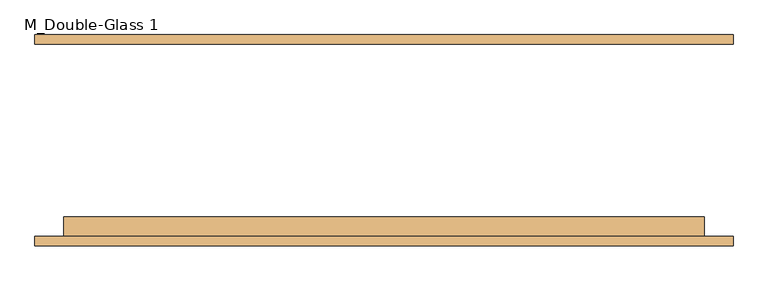
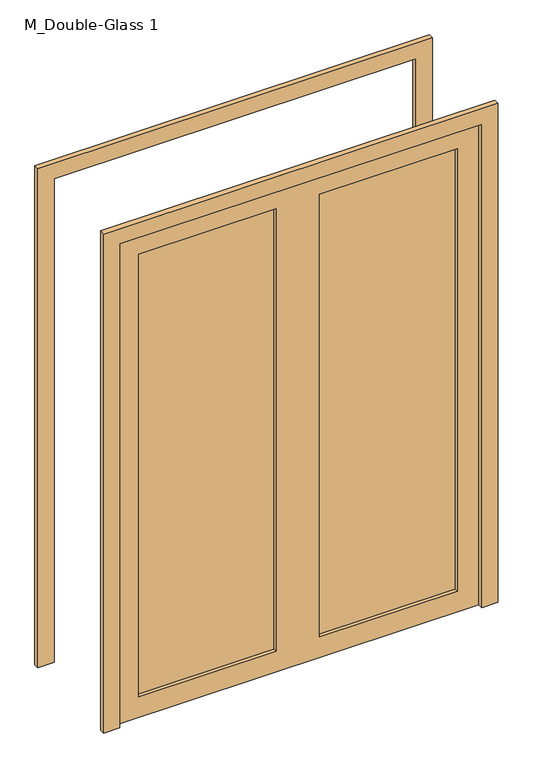
"""IFC4 building model written with IfcOpenShell, lengths in millimetres: door geometry, M_Double-Glass 1."""

import ifcopenshell
import ifcopenshell.guid

model = None  # the IFC model being written
_history = None  # IfcOwnerHistory: only IFC2X3 demands one
_inside = {}  # id of a spatial element -> (the spatial element, [elements in it])
_under = {}  # id of a project, library or spatial element -> (it, [spatial elements below it])
_declared = {}  # id of a project -> (the project, [libraries it declares])
_typed = {}  # id of a type object -> (the type object, [elements of that type])
_made_of = {}  # id of a material, layer set ... -> (it, [elements and type objects made of it])


def new_model(schema):
    """Start an empty IFC model of exactly this schema.

    Asked for "IFC4X3", IfcOpenShell would pick the latest addendum, in which some entities
    have other attributes; the version numbers below select the first issue.
    IFC2X3 requires an IfcOwnerHistory on every rooted entity: one is made here for all.
    """
    global model, _history
    if schema == "IFC4X3":
        model = ifcopenshell.file(schema_version=(4, 3, 0, 0))
    else:
        model = ifcopenshell.file(schema=schema)
    _inside.clear()
    _under.clear()
    _declared.clear()
    _typed.clear()
    _made_of.clear()
    _history = None
    if model.schema == "IFC2X3":
        org = make("IfcOrganization", Name="unknown")
        user = make(
            "IfcPersonAndOrganization",
            ThePerson=make("IfcPerson", FamilyName="unknown"),
            TheOrganization=org,
        )
        app = make(
            "IfcApplication",
            ApplicationDeveloper=org,
            Version="unknown",
            ApplicationFullName="unknown",
            ApplicationIdentifier="unknown",
        )
        _history = make(
            "IfcOwnerHistory",
            OwningUser=user,
            OwningApplication=app,
            ChangeAction="ADDED",
            CreationDate=0,
        )
    return model


def make(cls, **values):
    """One entity of the class cls with the attributes given. An attribute that is None is left unset."""
    return model.create_entity(
        cls, **{name: value for name, value in values.items() if value is not None}
    )


def rooted(cls, **values):
    """An entity with a GlobalId (a new one), such as an element, a storey or a relation."""
    return make(cls, GlobalId=ifcopenshell.guid.new(), OwnerHistory=_history, **values)


def si_unit(unit_type, name, prefix=None):
    """IfcSIUnit, for example si_unit("LENGTHUNIT", "METRE", prefix="MILLI")."""
    return make("IfcSIUnit", UnitType=unit_type, Prefix=prefix, Name=name)


def assignment(units):
    """IfcUnitAssignment: the units of a project."""
    return None if units is None else make("IfcUnitAssignment", Units=units)


def point(xyz):
    """IfcCartesianPoint."""
    return None if xyz is None else make("IfcCartesianPoint", Coordinates=xyz)


def direction(xyz):
    """IfcDirection."""
    return None if xyz is None else make("IfcDirection", DirectionRatios=xyz)


def frame(location, z_axis=None, x_axis=None):
    """IfcAxis2Placement3D, a coordinate frame: its origin and axes. An axis left out is left unset."""
    return make(
        "IfcAxis2Placement3D",
        Location=point(location),
        Axis=direction(z_axis),
        RefDirection=direction(x_axis),
    )


def origin():
    """The frame at (0, 0, 0) with its axes left unset."""
    return frame((0.0, 0.0, 0.0))


def place(relative_to, where):
    """IfcLocalPlacement: puts the frame where relative to a parent placement (None: the world)."""
    return make(
        "IfcLocalPlacement", PlacementRelTo=relative_to, RelativePlacement=where
    )


def context(
    kind, dimensions, precision=None, world=None, true_north=None, identifier=None
):
    """IfcGeometricRepresentationContext, for example the 3D "Model" context."""
    return make(
        "IfcGeometricRepresentationContext",
        ContextIdentifier=identifier,
        ContextType=kind,
        CoordinateSpaceDimension=dimensions,
        Precision=precision,
        WorldCoordinateSystem=world,
        TrueNorth=true_north,
    )


def project(units=None, contexts=None):
    """IfcProject with its units and contexts."""
    return rooted(
        "IfcProject",
        Name="project",
        RepresentationContexts=contexts,
        UnitsInContext=assignment(units),
    )


def spatial(cls, under=None, at=None, **own):
    """A site, building, storey or space (cls), placed at a placement, below another one or the project."""
    s = rooted(cls, ObjectPlacement=at, **own)
    if under is not None:
        _under.setdefault(under.id(), (under, []))[1].append(s)
    return s


def polyline(points):
    """IfcPolyline through the points."""
    return make("IfcPolyline", Points=[point(p) for p in points])


def outline(outer, holes=None, kind="AREA"):
    """IfcArbitraryClosedProfileDef: a profile drawn as a closed curve; with holes, ...WithVoids."""
    if holes is None:
        return make("IfcArbitraryClosedProfileDef", ProfileType=kind, OuterCurve=outer)
    return make(
        "IfcArbitraryProfileDefWithVoids",
        ProfileType=kind,
        OuterCurve=outer,
        InnerCurves=holes,
    )


def extrude(swept, where, along, depth):
    """IfcExtrudedAreaSolid: the profile swept, set in the frame where, extruded along a direction by depth."""
    return make(
        "IfcExtrudedAreaSolid",
        SweptArea=swept,
        Position=where,
        ExtrudedDirection=direction(along),
        Depth=depth,
    )


def shape(context_of_items, identifier, shape_type, items):
    """IfcShapeRepresentation: the items that make up one representation, for example the "Body"."""
    return make(
        "IfcShapeRepresentation",
        ContextOfItems=context_of_items,
        RepresentationIdentifier=identifier,
        RepresentationType=shape_type,
        Items=items,
    )


def source(mapping_origin, context_of_items, identifier, shape_type, items):
    """IfcRepresentationMap: a shape defined once, which mapped items show again and again."""
    return make(
        "IfcRepresentationMap",
        MappingOrigin=mapping_origin,
        MappedRepresentation=shape(context_of_items, identifier, shape_type, items),
    )


def transform(
    local_origin,
    x_axis=None,
    y_axis=None,
    z_axis=None,
    scale=None,
    scale2=None,
    scale3=None,
    uniform=True,
):
    """IfcCartesianTransformationOperator3D, or its non-uniform kind. x_axis, y_axis, z_axis: its Axis1, 2, 3."""
    if uniform:
        return make(
            "IfcCartesianTransformationOperator3D",
            Axis1=direction(x_axis),
            Axis2=direction(y_axis),
            LocalOrigin=point(local_origin),
            Scale=scale,
            Axis3=direction(z_axis),
        )
    return make(
        "IfcCartesianTransformationOperator3DnonUniform",
        Axis1=direction(x_axis),
        Axis2=direction(y_axis),
        LocalOrigin=point(local_origin),
        Scale=scale,
        Axis3=direction(z_axis),
        Scale2=scale2,
        Scale3=scale3,
    )


def mapped(mapping_source, mapping_target):
    """IfcMappedItem: shows the shape of a source again, moved by a transform."""
    return make(
        "IfcMappedItem", MappingSource=mapping_source, MappingTarget=mapping_target
    )


def made_of(thing, what):
    """Note that an element or type object is made of a material, layer set ...; save() writes the relation."""
    if what is not None:
        _made_of.setdefault(what.id(), (what, []))[1].append(thing)
    return thing


def element(
    cls,
    number,
    at=None,
    inside=None,
    cuts=None,
    type_object=None,
    material=None,
    context=None,
    identifier="Body",
    shape_type=None,
    held_by="IfcProductDefinitionShape",
    body=None,
    shapes=None,
    **own,
):
    """One element of the class cls, such as IfcWall. Its Tag is "e" and its number.

    at: its placement. inside: the storey or other place that contains it. cuts: it is an
    opening in that element (IfcRelVoidsElement). A single representation is given by context,
    identifier, shape_type and body (its items); several are given by shapes. held_by: the class
    of the entity that holds the representations. save() writes the other relations.
    """
    e = rooted(cls, Tag="e%d" % number, ObjectPlacement=at, **own)
    if body is not None:
        shapes = [shape(context, identifier, shape_type, body)]
    if shapes is not None:
        e.Representation = make(held_by, Representations=shapes)
    if inside is not None:
        _inside.setdefault(inside.id(), (inside, []))[1].append(e)
    if cuts is not None:
        rooted(
            "IfcRelVoidsElement", RelatingBuildingElement=cuts, RelatedOpeningElement=e
        )
    if type_object is not None:
        _typed.setdefault(type_object.id(), (type_object, []))[1].append(e)
    return made_of(e, material)


def aggregate(whole, parts):
    """IfcRelAggregates: a whole, such as a stair, and the parts it consists of."""
    return rooted("IfcRelAggregates", RelatingObject=whole, RelatedObjects=parts)


def save(model, path):
    """Write the relations noted so far, then the file.

    IfcRelAggregates (storeys below a building ...), IfcRelContainedInSpatialStructure (elements
    in a storey), IfcRelDefinesByType, IfcRelAssociatesMaterial and IfcRelDeclares: one each for
    every whole, place, type object, material and project.
    """
    for whole, parts in _under.values():
        aggregate(whole, parts)
    for where, things in _inside.values():
        rooted(
            "IfcRelContainedInSpatialStructure",
            RelatedElements=things,
            RelatingStructure=where,
        )
    for kind, things in _typed.values():
        rooted("IfcRelDefinesByType", RelatedObjects=things, RelatingType=kind)
    for what, things in _made_of.values():
        rooted("IfcRelAssociatesMaterial", RelatedObjects=things, RelatingMaterial=what)
    for by, libraries in _declared.values():
        rooted("IfcRelDeclares", RelatingContext=by, RelatedDefinitions=libraries)
    model.write(path)


def m_double_glass_1_25e3a02e(model_context):
    return source(origin(), model_context, "Body", "SweptSolid", [
        extrude(outline(polyline([(0.0, 926.0), (2476.0, 926.0), (2476.0, -926.0), (0.0, -926.0), (0.0, -850.0), (2400.0, -850.0), (2400.0, 850.0), (0.0, 850.0), (0.0, 926.0)])), frame((0.0, 252.61875, 0.0), z_axis=(0.0, 1.0, 0.0), x_axis=(0.0, 0.0, 1.0)), (0.0, 0.0, 1.0), 25.0),
        extrude(outline(polyline([(2400.0, 850.0), (0.0, 850.0), (0.0, 926.0), (2476.0, 926.0), (2476.0, -926.0), (0.0, -926.0), (0.0, -850.0), (2400.0, -850.0), (2400.0, 850.0)])), frame((0.0, -282.38125, 0.0), z_axis=(0.0, 1.0, 0.0), x_axis=(0.0, 0.0, 1.0)), (0.0, 0.0, 1.0), 25.0),
        extrude(outline(polyline([(748.4, -231.98125), (748.4, -239.125), (101.6, -239.125), (101.6, -231.98125), (748.4, -231.98125)])), frame((0.0, 0.0, 102.0), z_axis=(0.0, 0.0, 1.0), x_axis=(1.0, 0.0, 0.0)), (0.0, 0.0, 1.0), 2196.0),
        extrude(outline(polyline([(-101.6, -231.98125), (-101.6, -239.125), (-748.4, -239.125), (-748.4, -231.98125), (-101.6, -231.98125)])), frame((0.0, 0.0, 102.0), z_axis=(0.0, 0.0, 1.0), x_axis=(1.0, 0.0, 0.0)), (0.0, 0.0, 1.0), 2196.0),
        extrude(outline(polyline([(2400.0, 850.0), (2400.0, -850.0), (0.0, -850.0), (0.0, 850.0), (2400.0, 850.0)]), holes=[polyline([(2298.0, -101.6), (102.0, -101.6), (102.0, -748.4), (2298.0, -748.4), (2298.0, -101.6)]), polyline([(2298.0, 748.4), (102.0, 748.4), (102.0, 101.6), (2298.0, 101.6), (2298.0, 748.4)])]), frame((0.0, -257.38125, 0.0), z_axis=(0.0, 1.0, 0.0), x_axis=(0.0, 0.0, 1.0)), (0.0, 0.0, 1.0), 51.0),
    ])


if __name__ == "__main__":
    model = new_model("IFC4")
    model_context = context("Model", 3, world=origin())
    ifc_project = project(units=[si_unit("LENGTHUNIT", "METRE", prefix="MILLI")], contexts=[model_context])
    site = spatial("IfcSite", under=ifc_project)
    building = spatial("IfcBuilding", under=site)
    placement = place(None, origin())
    m_double_glass_1_shape = m_double_glass_1_25e3a02e(model_context)
    element("IfcDoor", 1, ObjectType="M_Double-Glass 1", at=placement, inside=building, context=model_context, shape_type="MappedRepresentation", body=[
        mapped(m_double_glass_1_shape, transform((0.0, 0.0, 0.0), x_axis=(1.0, 0.0, 0.0), y_axis=(0.0, 1.0, 0.0), z_axis=(0.0, 0.0, 1.0))),
    ])
    save(model, "model.ifc")
